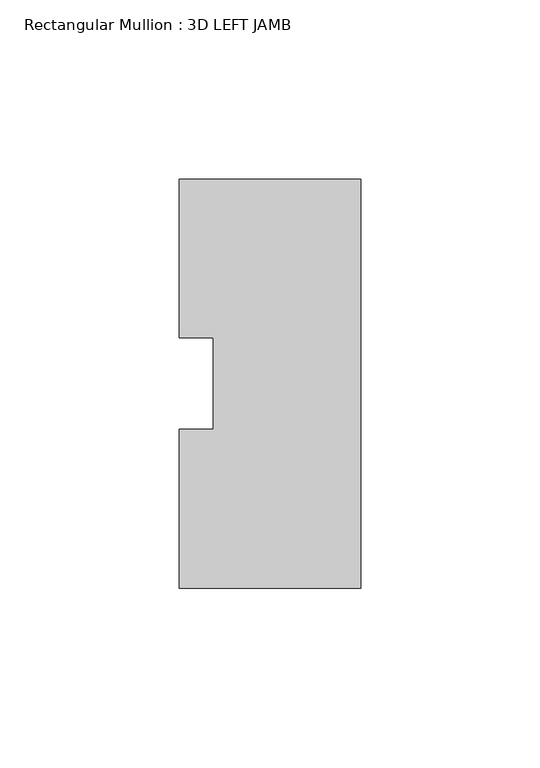
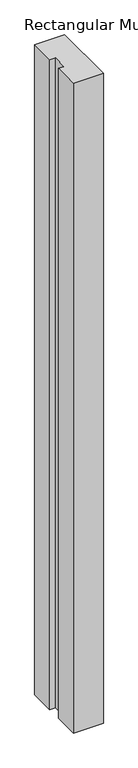
"""IFC4 building model written with IfcOpenShell, lengths in millimetres: member geometry, Rectangular Mullion : 3D LEFT JAMB."""

from ifc_helpers import new_model, si_unit, frame, origin, place, context, project, spatial, polyline, outline, extrude, source, transform, mapped, element, save


def rectangular_mullion_3d_left_jamb_79eff08d(model_context):
    return source(origin(), model_context, "Body", "SweptSolid", [
        extrude(outline(polyline([(0.0, -57.1484125), (-50.8, -57.1484125), (-50.8, -12.7311082), (-41.275, -12.7311082), (-41.275, 12.7565901), (-50.8, 12.7565901), (-50.8, 57.1515875), (0.0, 57.1646685), (0.0, -57.1484125)])), frame((0.0, 0.0, -1168.4), z_axis=(0.0, 0.0, 1.0), x_axis=(1.0, 0.0, 0.0)), (0.0, 0.0, 1.0), 1168.4),
    ])


if __name__ == "__main__":
    model = new_model("IFC4")
    model_context = context("Model", 3, world=origin())
    ifc_project = project(units=[si_unit("LENGTHUNIT", "METRE", prefix="MILLI")], contexts=[model_context])
    site = spatial("IfcSite", under=ifc_project)
    building = spatial("IfcBuilding", under=site)
    placement = place(None, origin())
    rectangular_mullion_3d_left_jamb_shape = rectangular_mullion_3d_left_jamb_79eff08d(model_context)
    element("IfcMember", 1, ObjectType="Rectangular Mullion : 3D LEFT JAMB", at=placement, inside=building, context=model_context, shape_type="MappedRepresentation", body=[
        mapped(rectangular_mullion_3d_left_jamb_shape, transform((0.0, 0.0, 0.0), x_axis=(1.0, 0.0, 0.0), y_axis=(0.0, 1.0, 0.0), z_axis=(0.0, 0.0, 1.0))),
    ])
    save(model, "model.ifc")
